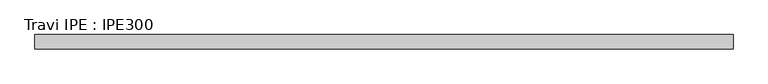
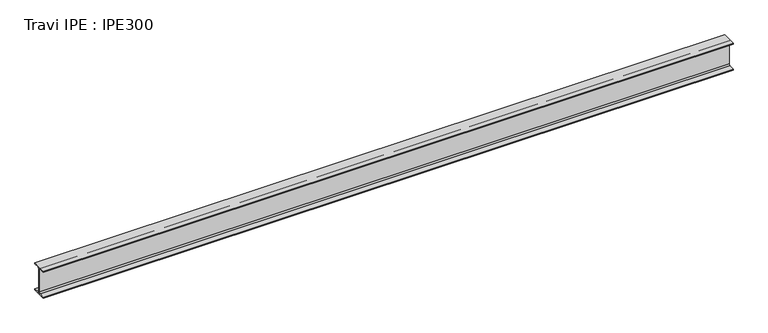
"""IFC4 building model written with IfcOpenShell, lengths in millimetres: beam geometry, Travi IPE : IPE300."""

from ifc_helpers import new_model, si_unit, point, frame, frame_2d, origin, place, context, project, spatial, polyline, circle_curve, trimmed, segment, composite_curve, outline, extrude, source, transform, mapped, element, save


def travi_ipe_ipe300_2839ff90(model_context):
    return source(origin(), model_context, "Body", "SweptSolid", [
        extrude(outline(composite_curve([segment(polyline([(75.0, -139.3), (75.0, -150.0), (-75.0, -150.0), (-75.0, -139.3), (-18.55, -139.3)]), True, "CONTINUOUS"), segment(trimmed(circle_curve(frame_2d((-18.55, -124.3)), 15.0), [point((-18.55, -139.3))], [point((-3.55, -124.3))], True, "CARTESIAN"), True, "CONTINUOUS"), segment(polyline([(-3.55, -124.3), (-3.55, 124.3)]), True, "CONTINUOUS"), segment(trimmed(circle_curve(frame_2d((-18.55, 124.3)), 15.0), [point((-3.55, 124.3))], [point((-18.55, 139.3))], True, "CARTESIAN"), True, "CONTINUOUS"), segment(polyline([(-18.55, 139.3), (-75.0, 139.3), (-75.0, 150.0), (75.0, 150.0), (75.0, 139.3), (18.55, 139.3)]), True, "CONTINUOUS"), segment(trimmed(circle_curve(frame_2d((18.55, 124.3)), 15.0), [point((18.55, 139.3))], [point((3.55, 124.3))], True, "CARTESIAN"), True, "CONTINUOUS"), segment(polyline([(3.55, 124.3), (3.55, -124.3)]), True, "CONTINUOUS"), segment(trimmed(circle_curve(frame_2d((18.55, -124.3)), 15.0), [point((3.55, -124.3))], [point((18.55, -139.3))], True, "CARTESIAN"), True, "CONTINUOUS"), segment(polyline([(18.55, -139.3), (75.0, -139.3)]), True, "CONTINUOUS")], self_intersect=False)), frame((-3669.0, 0.0, 0.0), z_axis=(1.0, 0.0, 0.0), x_axis=(0.0, 1.0, 0.0)), (0.0, 0.0, 1.0), 7267.0),
    ])


if __name__ == "__main__":
    model = new_model("IFC4")
    model_context = context("Model", 3, world=origin())
    ifc_project = project(units=[si_unit("LENGTHUNIT", "METRE", prefix="MILLI")], contexts=[model_context])
    site = spatial("IfcSite", under=ifc_project)
    building = spatial("IfcBuilding", under=site)
    placement = place(None, origin())
    travi_ipe_ipe300_shape = travi_ipe_ipe300_2839ff90(model_context)
    element("IfcBeam", 1, ObjectType="Travi IPE : IPE300", at=placement, inside=building, context=model_context, shape_type="MappedRepresentation", body=[
        mapped(travi_ipe_ipe300_shape, transform((0.0, 0.0, 0.0), x_axis=(1.0, 0.0, 0.0), y_axis=(0.0, 1.0, 0.0), z_axis=(0.0, 0.0, 1.0))),
    ])
    save(model, "model.ifc")
